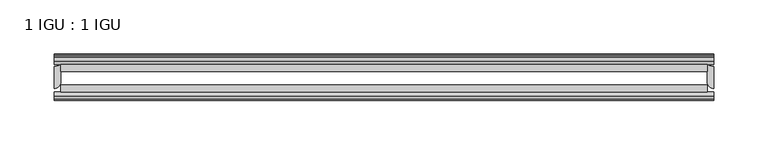
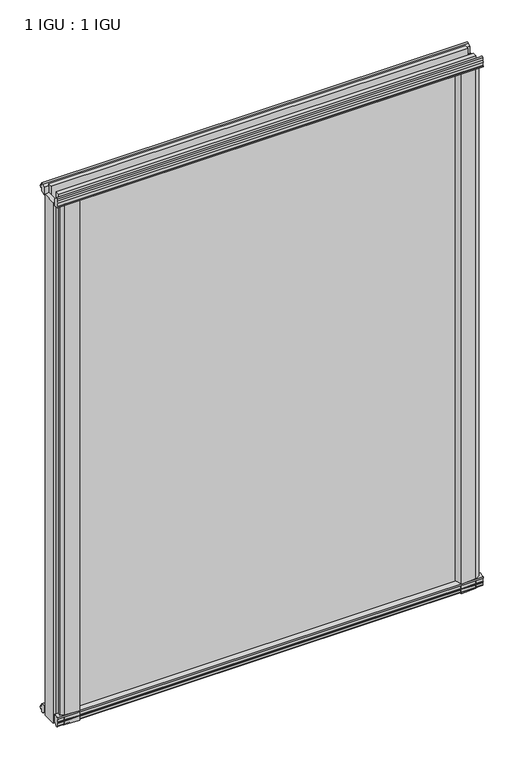
"""IFC4 building model written with IfcOpenShell, lengths in millimetres: plate geometry, 1 IGU : 1 IGU."""

from ifc_helpers import new_model, si_unit, point, frame, frame_2d, origin, place, context, project, spatial, polyline, circle_curve, trimmed, segment, composite_curve, outline, extrude, source, transform, mapped, element, save


def plate_1_igu_1_igu_0ca9a7c4(model_context):
    return source(origin(), model_context, "Body", "SweptSolid", [
        extrude(outline(composite_curve([segment(polyline([(-46.2359545, 782.688937), (-46.2359545, 771.6667197), (-53.3197108, 773.0340291)]), True, "CONTINUOUS"), segment(trimmed(circle_curve(frame_2d((-53.1447545, 774.0348519)), 1.016), [point((-53.3197108, 773.0340291))], [point((-53.8888005, 774.7266983))], False, "CARTESIAN"), True, "CONTINUOUS"), segment(polyline([(-53.8888005, 774.7266983), (-52.5859205, 774.5428519), (-52.5859205, 779.9530519), (-54.0652165, 780.2138917), (-52.5859205, 782.7978519), (-52.5859205, 785.9728519)]), True, "CONTINUOUS"), segment(trimmed(circle_curve(frame_2d((-51.3159205, 785.9728519)), 1.27), [point((-52.5859205, 785.9728519))], [point((-50.4178949, 786.8708775))], False, "CARTESIAN"), True, "CONTINUOUS"), segment(polyline([(-50.4178949, 786.8708775), (-46.2359545, 782.688937)]), True, "CONTINUOUS")], self_intersect=False)), frame((-304.8, 0.0, 0.0), z_axis=(1.0, 0.0, 0.0), x_axis=(0.0, 1.0, 0.0)), (0.0, 0.0, 1.0), 609.6),
        extrude(outline(polyline([(-17.4323375, 787.1253625), (-14.4859375, 787.1253625), (-14.4859375, 782.6803625), (-12.1057405, 782.2993625), (-12.5656738, 783.7148916), (-11.7644596, 783.7148916), (-11.0569375, 781.5373625), (-11.7644596, 779.3598334), (-12.5656738, 779.3598334), (-12.1057405, 780.7753625), (-14.4859375, 780.3943625), (-14.4859375, 775.1873625), (-20.8359545, 773.4696398), (-20.8359545, 784.2910062), (-17.4323375, 787.1253625)])), frame((-304.8, 0.0, 0.0), z_axis=(1.0, 0.0, 0.0), x_axis=(0.0, 1.0, 0.0)), (0.0, 0.0, 1.0), 609.6),
        extrude(outline(polyline([(-20.8359545, 1.2049602), (-14.4859375, -0.5127625), (-14.4859375, -5.7197625), (-12.1057405, -6.1007625), (-12.5656738, -4.6852334), (-11.7644596, -4.6852334), (-11.0569375, -6.8627625), (-11.7644596, -9.0402916), (-12.5656738, -9.0402916), (-12.1057405, -7.6247625), (-14.4859375, -8.0057625), (-14.4859375, -12.4507625), (-17.4323375, -12.4507625), (-20.8359545, -9.6164062), (-20.8359545, 1.2049602)])), frame((-304.8, 0.0, 0.0), z_axis=(1.0, 0.0, 0.0), x_axis=(0.0, 1.0, 0.0)), (0.0, 0.0, 1.0), 609.6),
        extrude(outline(composite_curve([segment(polyline([(-53.3197108, 1.6405709), (-46.2359545, 3.0078803), (-46.2359545, -8.014337), (-50.4178949, -12.1962775)]), True, "CONTINUOUS"), segment(trimmed(circle_curve(frame_2d((-51.3159205, -11.2982519)), 1.27), [point((-50.4178949, -12.1962775))], [point((-52.5859205, -11.2982519))], False, "CARTESIAN"), True, "CONTINUOUS"), segment(polyline([(-52.5859205, -11.2982519), (-52.5859205, -8.1232519), (-54.0652165, -5.5392917), (-52.5859205, -5.2784519), (-52.5859205, 0.1317481), (-53.8888005, -0.0520983)]), True, "CONTINUOUS"), segment(trimmed(circle_curve(frame_2d((-53.1447545, 0.6397481)), 1.016), [point((-53.8888005, -0.0520983))], [point((-53.3197108, 1.6405709))], False, "CARTESIAN"), True, "CONTINUOUS")], self_intersect=False)), frame((-304.8, 0.0, 0.0), z_axis=(1.0, 0.0, 0.0), x_axis=(0.0, 1.0, 0.0)), (0.0, 0.0, 1.0), 609.6),
        extrude(outline(composite_curve([segment(trimmed(circle_curve(frame_2d((-304.8, -10.4903061)), 12.1389698), [point((-304.8, -22.629276))], [point((-298.45, -20.8359375))], True, "CARTESIAN"), True, "CONTINUOUS"), segment(polyline([(-298.45, -20.8359375), (-298.45, -36.7109375)]), True, "CONTINUOUS"), segment(trimmed(circle_curve(frame_2d((-304.8, -36.7109375)), 6.35), [point((-298.45, -36.7109375))], [point((-304.8, -43.0609375))], False, "CARTESIAN"), True, "CONTINUOUS"), segment(polyline([(-304.8, -43.0609375), (-304.8, -22.629276)]), True, "CONTINUOUS")], self_intersect=False)), frame((0.0, 0.0, -12.7), z_axis=(0.0, 0.0, 1.0), x_axis=(1.0, 0.0, 0.0)), (0.0, 0.0, 1.0), 787.3746),
        extrude(outline(composite_curve([segment(polyline([(-295.689414, -46.2359375), (-269.2454587, -46.2359375)]), True, "CONTINUOUS"), segment(trimmed(circle_curve(frame_2d((-258.1070291, -56.4589223)), 15.118665), [point((-269.2454587, -46.2359375))], [point((-273.05, -54.1607375))], True, "CARTESIAN"), True, "CONTINUOUS"), segment(polyline([(-273.05, -54.1607375), (-294.9360329, -52.904699), (-300.1918113, -50.6809375), (-300.1918113, -48.1409375), (-295.689414, -46.2359375)]), True, "CONTINUOUS")], self_intersect=False)), frame((0.0, 0.0, -12.7), z_axis=(0.0, 0.0, 1.0), x_axis=(1.0, 0.0, 0.0)), (0.0, 0.0, 1.0), 787.3746),
        extrude(outline(composite_curve([segment(polyline([(304.8, -22.629276), (304.8, -43.0609375)]), True, "CONTINUOUS"), segment(trimmed(circle_curve(frame_2d((304.8, -36.7109375)), 6.35), [point((304.8, -43.0609375))], [point((298.45, -36.7109375))], False, "CARTESIAN"), True, "CONTINUOUS"), segment(polyline([(298.45, -36.7109375), (298.45, -20.8359375)]), True, "CONTINUOUS"), segment(trimmed(circle_curve(frame_2d((304.8, -10.4903061)), 12.1389698), [point((298.45, -20.8359375))], [point((304.8, -22.629276))], True, "CARTESIAN"), True, "CONTINUOUS")], self_intersect=False)), frame((0.0, 0.0, -12.6752823), z_axis=(0.0, 0.0, 1.0), x_axis=(1.0, 0.0, 0.0)), (0.0, 0.0, 1.0), 787.3498823),
        extrude(outline(composite_curve([segment(polyline([(300.1918113, -50.6809375), (294.9360329, -52.904699), (273.05, -54.1607375)]), True, "CONTINUOUS"), segment(trimmed(circle_curve(frame_2d((258.1070291, -56.4589223)), 15.118665), [point((273.05, -54.1607375))], [point((269.2454587, -46.2359375))], True, "CARTESIAN"), True, "CONTINUOUS"), segment(polyline([(269.2454587, -46.2359375), (295.689414, -46.2359375), (300.1918113, -48.1409375), (300.1918113, -50.6809375)]), True, "CONTINUOUS")], self_intersect=False)), frame((0.0, 0.0, -12.6752823), z_axis=(0.0, 0.0, 1.0), x_axis=(1.0, 0.0, 0.0)), (0.0, 0.0, 1.0), 787.3498823),
        extrude(outline(polyline([(298.45, -20.8359375), (298.45, -27.1859375), (-298.45, -27.1859375), (-298.45, -20.8359375), (298.45, -20.8359375)])), frame((0.0, 0.0, -12.6752823), z_axis=(0.0, 0.0, 1.0), x_axis=(1.0, 0.0, 0.0)), (0.0, 0.0, 1.0), 800.0251645),
        extrude(outline(polyline([(-298.45, -46.2359375), (-298.45, -39.8859375), (298.45, -39.8859375), (298.45, -46.2359375), (-298.45, -46.2359375)])), frame((0.0, 0.0, -12.6752823), z_axis=(0.0, 0.0, 1.0), x_axis=(1.0, 0.0, 0.0)), (0.0, 0.0, 1.0), 800.0251645),
    ])


if __name__ == "__main__":
    model = new_model("IFC4")
    model_context = context("Model", 3, world=origin())
    ifc_project = project(units=[si_unit("LENGTHUNIT", "METRE", prefix="MILLI")], contexts=[model_context])
    site = spatial("IfcSite", under=ifc_project)
    building = spatial("IfcBuilding", under=site)
    placement = place(None, origin())
    plate_1_igu_1_igu_shape = plate_1_igu_1_igu_0ca9a7c4(model_context)
    element("IfcPlate", 1, ObjectType="1 IGU : 1 IGU", at=placement, inside=building, context=model_context, shape_type="MappedRepresentation", body=[
        mapped(plate_1_igu_1_igu_shape, transform((0.0, 0.0, 0.0), x_axis=(1.0, 0.0, 0.0), y_axis=(0.0, 1.0, 0.0), z_axis=(0.0, 0.0, 1.0))),
    ])
    save(model, "model.ifc")
